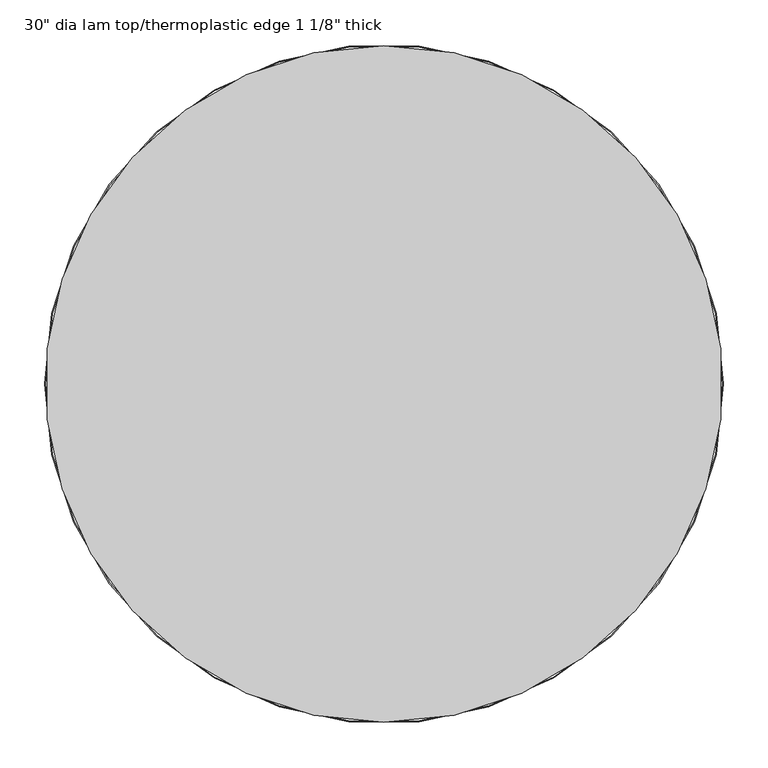
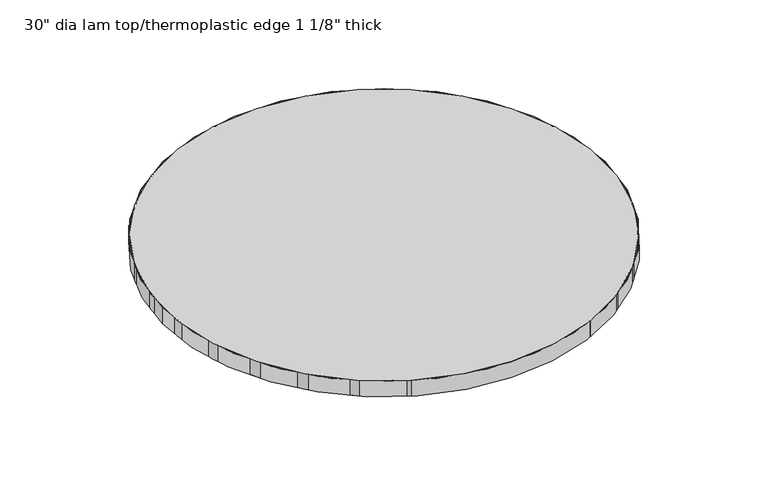
"""IFC4 building model written with IfcOpenShell, lengths in millimetres: furniture geometry."""

from ifc_helpers import new_model, si_unit, point, frame, origin, origin_2d, place, context, project, spatial, circle_curve, trimmed, segment, composite_curve, outline, extrude, source, transform, mapped, element, save


def furniture_8ad42736(model_context):
    return source(origin(), model_context, "Body", "SweptSolid", [
        extrude(outline(composite_curve([segment(trimmed(circle_curve(origin_2d(), 379.9179113), [point((0.0, 379.9179113))], [point((0.0, -379.9179113))], False, "CARTESIAN"), True, "CONTINUOUS"), segment(trimmed(circle_curve(origin_2d(), 379.9179113), [point((0.0, -379.9179113))], [point((0.0, 379.9179113))], False, "CARTESIAN"), True, "CONTINUOUS")], self_intersect=False)), frame((0.0, 0.0, 696.9759893), z_axis=(0.0, 0.0, 1.0), x_axis=(1.0, 0.0, 0.0)), (0.0, 0.0, 1.0), 28.702),
        extrude(outline(composite_curve([segment(trimmed(circle_curve(origin_2d(), 381.0), [point((-381.0, 0.0))], [point((381.0, 0.0))], False, "CARTESIAN"), True, "CONTINUOUS"), segment(trimmed(circle_curve(origin_2d(), 381.0), [point((381.0, 0.0))], [point((-381.0, 0.0))], False, "CARTESIAN"), True, "CONTINUOUS")], self_intersect=False), holes=[composite_curve([segment(trimmed(circle_curve(origin_2d(), 379.9179113), [point((379.9179113, 0.0))], [point((-379.9179113, 0.0))], True, "CARTESIAN"), True, "CONTINUOUS"), segment(trimmed(circle_curve(origin_2d(), 379.9179113), [point((-379.9179113, 0.0))], [point((379.9179113, 0.0))], True, "CARTESIAN"), True, "CONTINUOUS")], self_intersect=False)]), frame((0.0, 0.0, 696.9759893), z_axis=(0.0, 0.0, 1.0), x_axis=(1.0, 0.0, 0.0)), (0.0, 0.0, 1.0), 28.702),
    ])


if __name__ == "__main__":
    model = new_model("IFC4")
    model_context = context("Model", 3, world=origin())
    ifc_project = project(units=[si_unit("LENGTHUNIT", "METRE", prefix="MILLI")], contexts=[model_context])
    site = spatial("IfcSite", under=ifc_project)
    building = spatial("IfcBuilding", under=site)
    placement = place(None, origin())
    furniture_shape = furniture_8ad42736(model_context)
    element("IfcFurniture", 1, ObjectType="30\" dia lam top/thermoplastic edge 1 1/8\" thick", at=placement, inside=building, context=model_context, shape_type="MappedRepresentation", body=[
        mapped(furniture_shape, transform((0.0, 0.0, 0.0), x_axis=(1.0, 0.0, 0.0), y_axis=(0.0, 1.0, 0.0), z_axis=(0.0, 0.0, 1.0))),
    ])
    save(model, "model.ifc")
